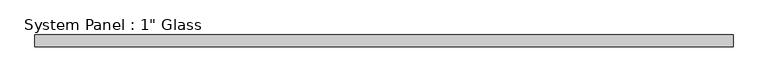
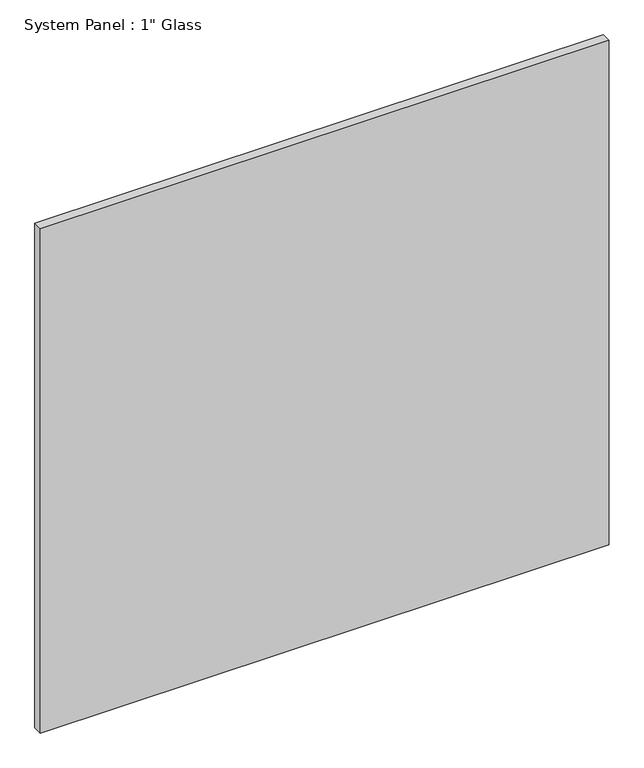
"""IFC4 building model written with IfcOpenShell, lengths in millimetres: plate geometry."""

from ifc_helpers import new_model, si_unit, origin, origin_with_axes, place, context, project, spatial, polyline, outline, extrude, source, transform, mapped, element, save


def plate_96fcf80c(model_context):
    return source(origin(), model_context, "Body", "SweptSolid", [
        extrude(outline(polyline([(746.1258852, -12.7), (-746.1258852, -12.7), (-746.1258852, 12.7), (746.1258852, 12.7), (746.1258852, -12.7)])), origin_with_axes(), (0.0, 0.0, 1.0), 1398.3841382),
    ])


if __name__ == "__main__":
    model = new_model("IFC4")
    model_context = context("Model", 3, world=origin())
    ifc_project = project(units=[si_unit("LENGTHUNIT", "METRE", prefix="MILLI")], contexts=[model_context])
    site = spatial("IfcSite", under=ifc_project)
    building = spatial("IfcBuilding", under=site)
    placement = place(None, origin())
    plate_shape = plate_96fcf80c(model_context)
    element("IfcPlate", 1, ObjectType="System Panel : 1\" Glass", at=placement, inside=building, context=model_context, shape_type="MappedRepresentation", body=[
        mapped(plate_shape, transform((0.0, 0.0, 0.0), x_axis=(1.0, 0.0, 0.0), y_axis=(0.0, 1.0, 0.0), z_axis=(0.0, 0.0, 1.0))),
    ])
    save(model, "model.ifc")
